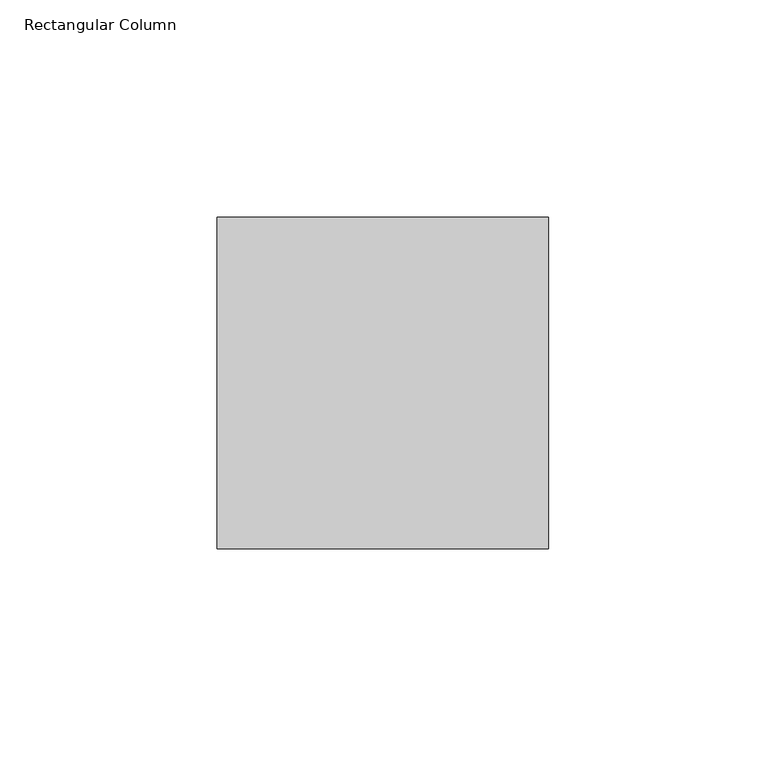
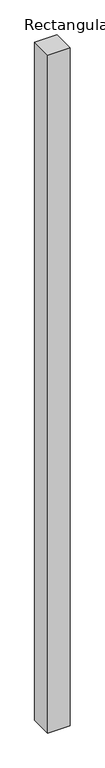
"""IFC4 building model written with IfcOpenShell, lengths in millimetres: column geometry, Rectangular Column."""

from ifc_helpers import new_model, si_unit, origin, origin_with_axes, place, context, project, spatial, polyline, outline, extrude, source, transform, mapped, element, save


def rectangular_column_6096731b(model_context):
    return source(origin(), model_context, "Body", "SweptSolid", [
        extrude(outline(polyline([(38.1, 38.1), (38.1, -38.1), (-38.1, -38.1), (-38.1, 38.1), (38.1, 38.1)])), origin_with_axes(), (0.0, 0.0, 1.0), 2438.4),
    ])


if __name__ == "__main__":
    model = new_model("IFC4")
    model_context = context("Model", 3, world=origin())
    ifc_project = project(units=[si_unit("LENGTHUNIT", "METRE", prefix="MILLI")], contexts=[model_context])
    site = spatial("IfcSite", under=ifc_project)
    building = spatial("IfcBuilding", under=site)
    placement = place(None, origin())
    rectangular_column_shape = rectangular_column_6096731b(model_context)
    element("IfcColumn", 1, ObjectType="Rectangular Column", at=placement, inside=building, context=model_context, shape_type="MappedRepresentation", body=[
        mapped(rectangular_column_shape, transform((0.0, 0.0, 0.0), x_axis=(1.0, 0.0, 0.0), y_axis=(0.0, 1.0, 0.0), z_axis=(0.0, 0.0, 1.0))),
    ])
    save(model, "model.ifc")
